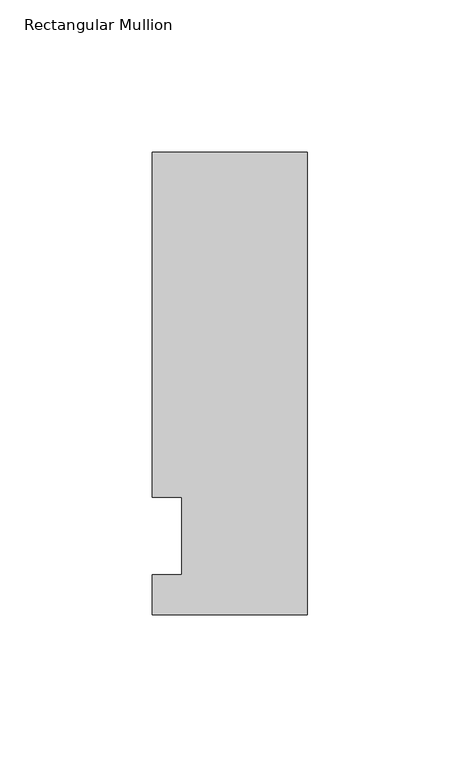
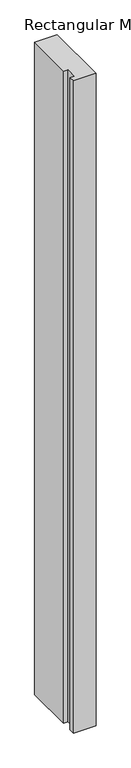
"""IFC4 building model written with IfcOpenShell, lengths in millimetres: member geometry, Rectangular Mullion."""

from ifc_helpers import new_model, si_unit, frame, origin, place, context, project, spatial, polyline, outline, extrude, source, transform, mapped, element, save


def rectangular_mullion_afd4dce2(model_context):
    return source(origin(), model_context, "Body", "SweptSolid", [
        extrude(outline(polyline([(-50.8, -25.7961253), (-50.8, -12.7), (-41.275, -12.7), (-41.275, 12.7), (-50.8, 12.7), (-50.8, 125.8036906), (0.0, 125.8036906), (0.0, -25.7961253), (-50.8, -25.7961253)])), frame((0.0, 0.0, -1555.75), z_axis=(0.0, 0.0, 1.0), x_axis=(1.0, 0.0, 0.0)), (0.0, 0.0, 1.0), 1555.75),
    ])


if __name__ == "__main__":
    model = new_model("IFC4")
    model_context = context("Model", 3, world=origin())
    ifc_project = project(units=[si_unit("LENGTHUNIT", "METRE", prefix="MILLI")], contexts=[model_context])
    site = spatial("IfcSite", under=ifc_project)
    building = spatial("IfcBuilding", under=site)
    placement = place(None, origin())
    rectangular_mullion_shape = rectangular_mullion_afd4dce2(model_context)
    element("IfcMember", 1, ObjectType="Rectangular Mullion", at=placement, inside=building, context=model_context, shape_type="MappedRepresentation", body=[
        mapped(rectangular_mullion_shape, transform((0.0, 0.0, 0.0), x_axis=(1.0, 0.0, 0.0), y_axis=(0.0, 1.0, 0.0), z_axis=(0.0, 0.0, 1.0))),
    ])
    save(model, "model.ifc")
